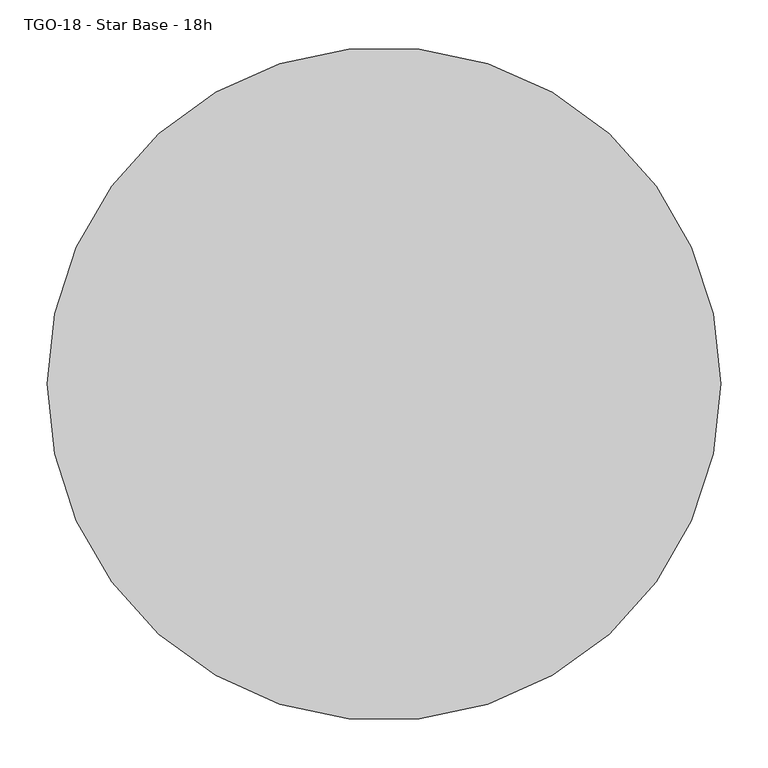
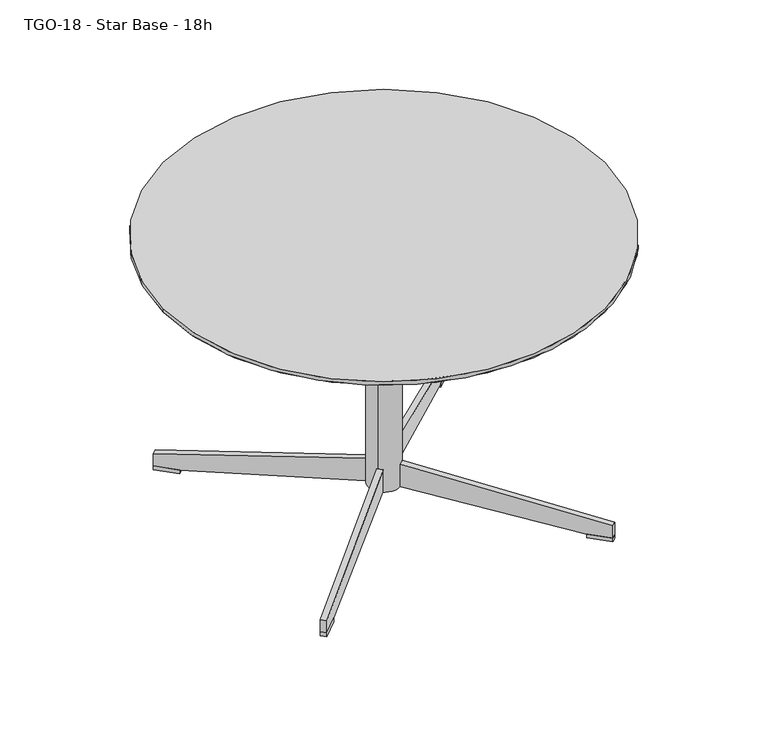
"""IFC4 building model written with IfcOpenShell, lengths in millimetres: furniture geometry, TGO-18 - Star Base - 18h."""

from ifc_helpers import new_model, si_unit, point, frame, frame_2d, origin, origin_with_axes, origin_2d, place, context, project, spatial, polyline, circle_curve, trimmed, segment, composite_curve, outline, extrude, source, transform, mapped, element, save
from ifc_brep_helpers import plane_surface, revolved_surface, advanced_brep


def tgo_18_star_base_18h_93dc712e(model_context):
    return source(origin(), model_context, "Body", "SolidModel", [
        advanced_brep(
        [(-355.599986, 0.0, 450.85), (355.599986, 0.0, 450.85), (-317.499986, 0.0, 438.15), (317.499986, 0.0, 438.15)],
        [
            (0, 1, circle_curve(frame((0.0, 0.0, 450.85), z_axis=(0.0, 0.0, 1.0), x_axis=(-1.0, 0.0, 0.0)), 355.599986)),
            (1, 0, circle_curve(frame((0.0, 0.0, 450.85), z_axis=(0.0, 0.0, 1.0), x_axis=(1.0, 0.0, 0.0)), 355.599986)),
            (2, 3, circle_curve(frame((0.0, 0.0, 438.15), z_axis=(0.0, 0.0, -1.0), x_axis=(1.0, 0.0, 0.0)), 317.499986)),
            (3, 2, circle_curve(frame((0.0, 0.0, 438.15), z_axis=(0.0, 0.0, -1.0), x_axis=(-1.0, 0.0, 0.0)), 317.499986)),
            (3, 1),
            (0, 2),
        ],
        [
            plane_surface(frame((0.0, 0.0, 450.85), z_axis=(0.0, 0.0, 1.0), x_axis=(0.0, -1.0, 0.0))),
            plane_surface(frame((0.0, 0.0, 438.15), z_axis=(0.0, 0.0, -1.0), x_axis=(0.0, -1.0, 0.0))),
            revolved_surface(polyline([(317.49998601071417, 0.0, 438.15), (355.599986, 0.0, 450.85)]), (0.0, 0.0, 332.3166713), (0.0, 0.0, 1.0)),
            revolved_surface(polyline([(-317.49998601071417, 0.0, 438.15), (-355.599986, 0.0, 450.85)]), (0.0, 0.0, 332.3166713), (0.0, 0.0, 1.0)),
        ],
        [
            (0, [[1, 2]]),
            (1, [[3, 4]]),
            (2, [[-4, 5, -1, 6]]),
            (3, [[-3, -6, -2, -5]]),
        ],
    ),
        extrude(outline(composite_curve([segment(trimmed(circle_curve(origin_2d(), 355.599986), [point((-355.599986, 0.0))], [point((355.599986, 0.0))], False, "CARTESIAN"), True, "CONTINUOUS"), segment(trimmed(circle_curve(origin_2d(), 355.599986), [point((355.599986, 0.0))], [point((-355.599986, 0.0))], False, "CARTESIAN"), True, "CONTINUOUS")], self_intersect=False)), frame((0.0, 0.0, 450.85), z_axis=(0.0, 0.0, 1.0), x_axis=(1.0, 0.0, 0.0)), (0.0, 0.0, 1.0), 6.35),
        extrude(outline(polyline([(210.2139553, -206.0355246), (237.0440442, -233.0865195), (230.3720636, -239.704015), (203.5419746, -212.6530201), (210.2139553, -206.0355246)])), origin_with_axes(), (0.0, 0.0, 1.0), 6.343172),
        extrude(outline(polyline([(38.1, 0.0), (38.1, -6.433949), (69.6540333, -275.4090291), (69.6540333, -313.5090291), (48.6517885, -313.5090291), (-0.0046782, -6.1869692), (-0.0046782, 0.0), (38.1, 0.0)])), frame((9.5984379, -17.112646, 75.9972053), z_axis=(0.7099998669765681, 0.7042018097770382, 0.0), x_axis=(0.0, 0.0, -1.0)), (0.0, 0.0, 1.0), 9.3971577),
        extrude(outline(polyline([(237.0440442, 233.0865195), (210.2139553, 206.0355246), (203.5419746, 212.6530201), (230.3720636, 239.704015), (237.0440442, 233.0865195)])), origin_with_axes(), (0.0, 0.0, 1.0), 6.343172),
        extrude(outline(polyline([(0.0, 0.0), (6.433949, 0.0), (275.4090291, 31.5540333), (313.509029, 31.5540333), (313.509029, 10.5517885), (6.1869691, -38.1046782), (0.0, -38.1046782), (0.0, 0.0)])), frame((16.2704186, 10.4951506, 37.8972053), z_axis=(-0.7099998669765681, 0.7042018097770381, 0.0), x_axis=(0.7042018097770381, 0.7099998669765681, 0.0)), (0.0, 0.0, 1.0), 9.3971577),
        extrude(outline(polyline([(-210.2139553, 206.0355246), (-237.0440442, 233.0865195), (-230.3720636, 239.704015), (-203.5419746, 212.6530201), (-210.2139553, 206.0355246)])), origin_with_axes(), (0.0, 0.0, 1.0), 6.343172),
        extrude(outline(polyline([(-38.1, 0.0), (0.0046782, 0.0), (0.0046782, -6.1869691), (-48.6517885, -313.509029), (-69.6540333, -313.509029), (-69.6540333, -275.4090291), (-38.1, -6.433949), (-38.1, 0.0)])), frame((-16.2704186, 10.4951506, 75.9972053), z_axis=(0.7099998669765681, 0.7042018097770382, 0.0), x_axis=(0.0, 0.0, 1.0)), (0.0, 0.0, 1.0), 9.3971577),
        extrude(outline(polyline([(-237.0440442, -233.0865195), (-210.2139553, -206.0355246), (-203.5419746, -212.6530201), (-230.3720636, -239.704015), (-237.0440442, -233.0865195)])), origin_with_axes(), (0.0, 0.0, 1.0), 6.343172),
        extrude(outline(polyline([(0.0, 0.0), (0.0, -38.1046782), (-6.1869692, -38.1046782), (-313.5090291, 10.5517885), (-313.5090291, 31.5540333), (-275.4090291, 31.5540333), (-6.433949, 0.0), (0.0, 0.0)])), frame((-9.5984379, -17.112646, 37.8972053), z_axis=(-0.709999866976568, 0.7042018097770381, 0.0), x_axis=(0.7042018097770381, 0.709999866976568, 0.0)), (0.0, 0.0, 1.0), 9.3971577),
        extrude(outline(composite_curve([segment(trimmed(circle_curve(frame_2d((0.0882128, 0.0)), 25.430865), [point((-19.1047046, -16.6841486))], [point((19.2811302, 16.6841486))], False, "CARTESIAN"), True, "CONTINUOUS"), segment(trimmed(circle_curve(frame_2d((0.0882128, 0.0)), 25.430865), [point((19.2811302, 16.6841486))], [point((-19.1047046, -16.6841486))], False, "CARTESIAN"), True, "CONTINUOUS")], self_intersect=False)), frame((0.0, 0.0, 37.8760388), z_axis=(0.0, 0.0, 1.0), x_axis=(1.0, 0.0, 0.0)), (0.0, 0.0, 1.0), 400.2739612),
    ])


if __name__ == "__main__":
    model = new_model("IFC4")
    model_context = context("Model", 3, world=origin())
    ifc_project = project(units=[si_unit("LENGTHUNIT", "METRE", prefix="MILLI")], contexts=[model_context])
    site = spatial("IfcSite", under=ifc_project)
    building = spatial("IfcBuilding", under=site)
    placement = place(None, origin())
    tgo_18_star_base_18h_shape = tgo_18_star_base_18h_93dc712e(model_context)
    element("IfcFurniture", 1, ObjectType="TGO-18 - Star Base - 18h", at=placement, inside=building, context=model_context, shape_type="MappedRepresentation", body=[
        mapped(tgo_18_star_base_18h_shape, transform((0.0, 0.0, 0.0), x_axis=(1.0, 0.0, 0.0), y_axis=(0.0, 1.0, 0.0), z_axis=(0.0, 0.0, 1.0))),
    ])
    save(model, "model.ifc")
